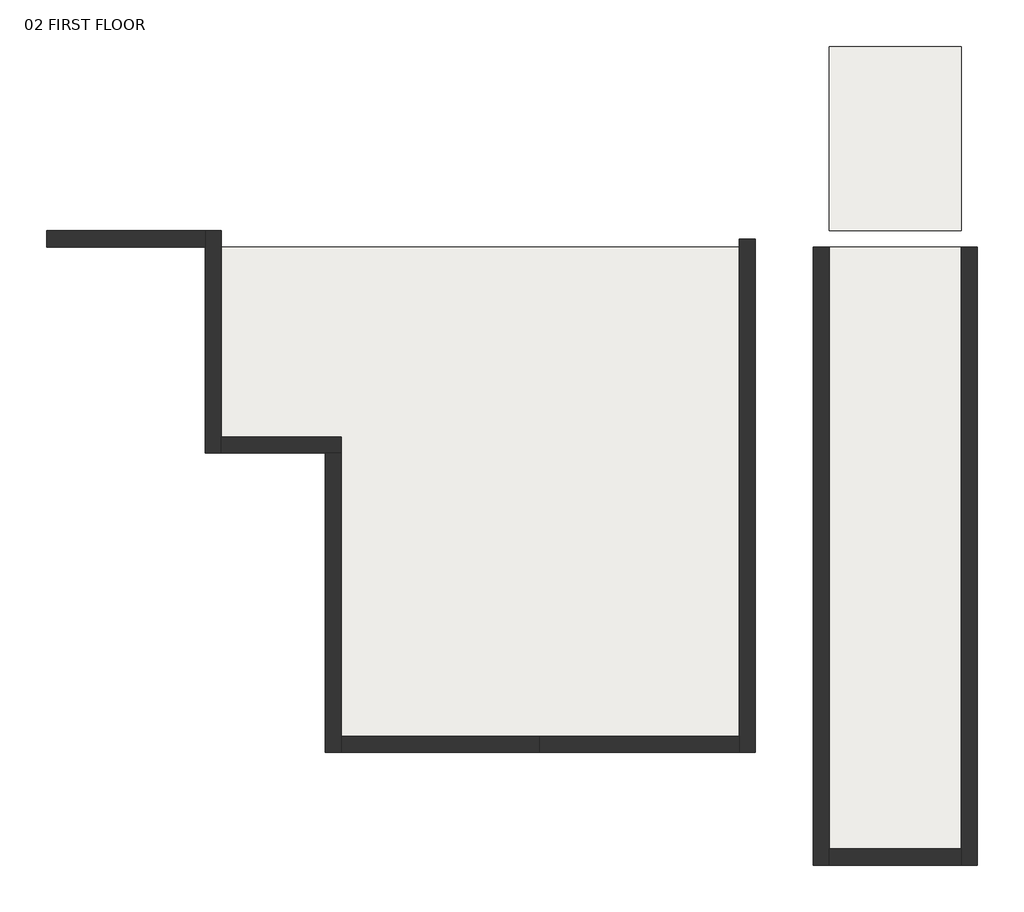
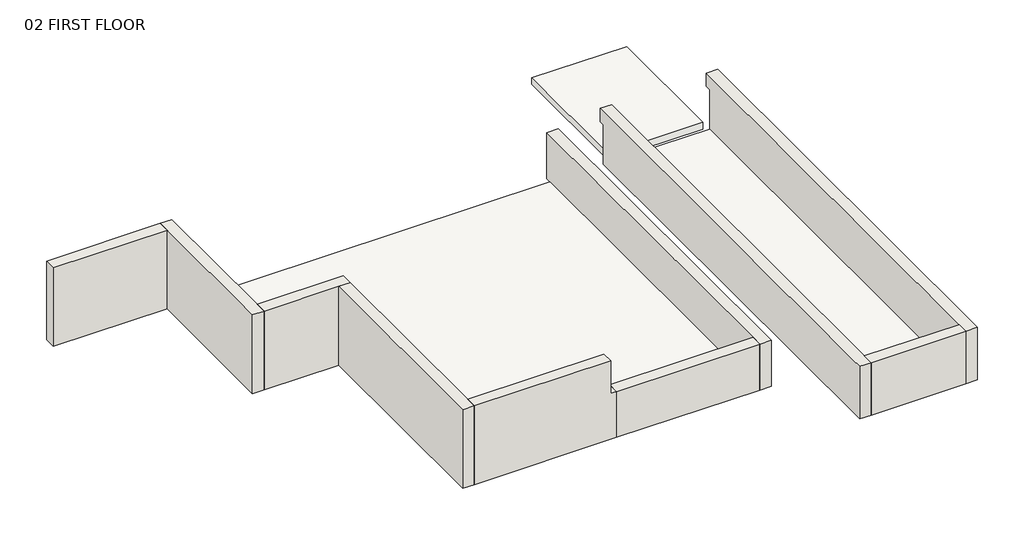
# One storey: 10 walls, 3 slabs.
"""IFC4 building model written with IfcOpenShell, lengths in millimetres."""

from ifc_helpers import new_model, si_unit, frame, origin, place, context, project, spatial, polyline, outline, extrude, faceted_brep, element, save

model = new_model("IFC4")

# Units and contexts
model_context = context("Model", 3, world=origin())
ifc_project = project(units=[si_unit("LENGTHUNIT", "METRE", prefix="MILLI")], contexts=[model_context])

# Site, building, storey
site = spatial("IfcSite", under=ifc_project)
building = spatial("IfcBuilding", under=site)
storey = spatial("IfcBuildingStorey", under=building, Name="02 FIRST FLOOR", Elevation=1219.2)

# Slabs
placement = place(None, origin())
element("IfcSlab", 1, ObjectType="Generic - 12\"", at=placement, inside=storey, context=model_context, shape_type="SweptSolid", body=[
    extrude(outline(polyline([(10151.9583018, -558.8189702), (10151.9583018, -16002.0189702), (-2395.6416982, -16002.0189702), (-2395.6416982, -6553.2189702), (-6180.2416982, -6553.2189702), (-6180.2416982, -558.8189702), (10151.9583018, -558.8189702)])), frame((0.0, 0.0, 914.4), z_axis=(0.0, 0.0, 1.0), x_axis=(1.0, 0.0, 0.0)), (0.0, 0.0, 1.0), 304.8),
])
element("IfcSlab", 2, ObjectType="Generic - 12\"", at=placement, inside=storey, context=model_context, shape_type="SweptSolid", body=[
    extrude(outline(polyline([(17162.3583018, -558.8189702), (17162.3583018, -19558.0189702), (12996.7583018, -19558.0189702), (12996.7583018, -558.8189702), (17162.3583018, -558.8189702)])), frame((0.0, 0.0, 914.4), z_axis=(0.0, 0.0, 1.0), x_axis=(1.0, 0.0, 0.0)), (0.0, 0.0, 1.0), 304.8),
])
element("IfcSlab", 3, ObjectType="Generic - 12\"", at=placement, inside=storey, context=model_context, shape_type="SweptSolid", body=[
    extrude(outline(polyline([(17162.3583018, 5765.7810298), (17162.3583018, -50.8189702), (12996.7583018, -50.8189702), (12996.7583018, 5765.7810298), (17162.3583018, 5765.7810298)])), frame((0.0, 0.0, 914.4), z_axis=(0.0, 0.0, 1.0), x_axis=(1.0, 0.0, 0.0)), (0.0, 0.0, 1.0), 304.8),
])

# Walls
element("IfcWall", 4, ObjectType="ADOBE", at=placement, inside=storey, context=model_context, shape_type="Brep", body=[
    faceted_brep([(-6688.2416982, -50.8189702, 1219.2), (-6688.2416982, -558.8189702, 1219.2), (-6688.2416982, -7061.2189702, 1219.2), (-6688.2416982, -7061.2189702, 4876.8), (-6688.2416982, -558.8189702, 4876.8), (-6688.2416982, -50.8189702, 4876.8), (-6180.2416982, -50.8189702, 1219.2), (-6180.2416982, -50.8189702, 4876.8), (-6180.2416982, -6553.2189702, 4876.8), (-6180.2416982, -7061.2189702, 4876.8), (-6180.2416982, -7061.2189702, 1219.2), (-6180.2416982, -6553.2189702, 1219.2)], [[[0, 1, 2, 3, 4, 5]], [[6, 7, 8, 9, 10, 11]], [[2, 1, 0, 6, 11, 10]], [[5, 4, 3, 9, 8, 7]], [[3, 2, 10, 9]], [[0, 5, 7, 6]]]),
])
element("IfcWall", 5, ObjectType="ADOBE", at=placement, inside=storey, context=model_context, shape_type="Brep", body=[
    faceted_brep([(-6180.2416982, -7061.2189702, 1219.2), (-2903.6416982, -7061.2189702, 1219.2), (-2395.6416982, -7061.2189702, 1219.2), (-2395.6416982, -7061.2189702, 4876.8), (-2903.6416982, -7061.2189702, 4876.8), (-6180.2416982, -7061.2189702, 4876.8), (-6180.2416982, -6553.2189702, 1219.2), (-6180.2416982, -6553.2189702, 4876.8), (-2395.6416982, -6553.2189702, 4876.8), (-2395.6416982, -6553.2189702, 1219.2)], [[[0, 1, 2, 3, 4, 5]], [[6, 7, 8, 9]], [[2, 1, 0, 6, 9]], [[5, 4, 3, 8, 7]], [[3, 2, 9, 8]], [[0, 5, 7, 6]]]),
])
element("IfcWall", 6, ObjectType="ADOBE", at=placement, inside=storey, context=model_context, shape_type="Brep", body=[
    faceted_brep([(-2903.6416982, -7061.2189702, 1219.2), (-2903.6416982, -16510.0189702, 1219.2), (-2903.6416982, -16510.0189702, 4876.8), (-2903.6416982, -7061.2189702, 4876.8), (-2395.6416982, -7061.2189702, 1219.2), (-2395.6416982, -7061.2189702, 4876.8), (-2395.6416982, -16002.0189702, 4876.8), (-2395.6416982, -16510.0189702, 4876.8), (-2395.6416982, -16510.0189702, 1219.2), (-2395.6416982, -16002.0189702, 1219.2)], [[[0, 1, 2, 3]], [[4, 5, 6, 7, 8, 9]], [[1, 0, 4, 9, 8]], [[3, 2, 7, 6, 5]], [[2, 1, 8, 7]], [[0, 3, 5, 4]]]),
])
element("IfcWall", 7, ObjectType="ADOBE", at=placement, inside=storey, context=model_context, shape_type="SweptSolid", body=[
    extrude(outline(polyline([(1219.2, -2395.6416982), (1219.2, 3852.7583018), (3352.8, 3852.7583018), (3352.8, 3598.7583018), (4876.8, 3598.7583018), (4876.8, -2395.6416982), (1219.2, -2395.6416982)])), frame((0.0, -16510.0189702, 0.0), z_axis=(0.0, 1.0, 0.0), x_axis=(0.0, 0.0, 1.0)), (0.0, 0.0, 1.0), 508.0),
])
element("IfcWall", 8, ObjectType="ADOBE", at=placement, inside=storey, context=model_context, shape_type="Brep", body=[
    faceted_brep([(12488.7583018, -558.8189702, 1219.2), (12488.7583018, -20066.0189702, 1219.2), (12488.7583018, -20066.0189702, 3352.8), (12488.7583018, -20066.0189702, 3657.6), (12488.7583018, -19558.0189702, 3657.6), (12488.7583018, -304.8189702, 3657.6), (12488.7583018, -304.8189702, 3048.0), (12488.7583018, -558.8189702, 3048.0), (12996.7583018, -558.8189702, 1219.2), (12996.7583018, -558.8189702, 3048.0), (12996.7583018, -304.8189702, 3048.0), (12996.7583018, -304.8189702, 3657.6), (12996.7583018, -19558.0189702, 3657.6), (12996.7583018, -20066.0189702, 3657.6), (12996.7583018, -20066.0189702, 1219.2), (12996.7583018, -19558.0189702, 1219.2)], [[[0, 1, 2, 3, 4, 5, 6, 7]], [[8, 9, 10, 11, 12, 13, 14, 15]], [[1, 0, 8, 15, 14]], [[5, 4, 3, 13, 12, 11]], [[1, 14, 13, 3, 2]], [[6, 5, 11, 10]], [[6, 10, 9, 7]], [[0, 7, 9, 8]]]),
])
element("IfcWall", 9, ObjectType="ADOBE", at=placement, inside=storey, context=model_context, shape_type="SweptSolid", body=[
    extrude(outline(polyline([(-6688.2416982, -558.8189702), (-11692.0416982, -558.8189702), (-11692.0416982, -50.8189702), (-6688.2416982, -50.8189702), (-6688.2416982, -558.8189702)])), frame((0.0, 0.0, 1219.2), z_axis=(0.0, 0.0, 1.0), x_axis=(1.0, 0.0, 0.0)), (0.0, 0.0, 1.0), 3657.6),
])
element("IfcWall", 10, ObjectType="ADOBE", at=placement, inside=storey, context=model_context, shape_type="Brep", body=[
    faceted_brep([(17670.3583018, -20066.0189702, 1219.2), (17670.3583018, -558.8189702, 1219.2), (17670.3583018, -558.8189702, 3048.0), (17670.3583018, -304.8189702, 3048.0), (17670.3583018, -304.8189702, 3657.6), (17670.3583018, -20066.0189702, 3657.6), (17162.3583018, -20066.0189702, 1219.2), (17162.3583018, -20066.0189702, 3657.6), (17162.3583018, -19558.0189702, 3657.6), (17162.3583018, -304.8189702, 3657.6), (17162.3583018, -304.8189702, 3048.0), (17162.3583018, -558.8189702, 3048.0), (17162.3583018, -558.8189702, 1219.2), (17162.3583018, -19558.0189702, 1219.2)], [[[0, 1, 2, 3, 4, 5]], [[6, 7, 8, 9, 10, 11, 12, 13]], [[1, 0, 6, 13, 12]], [[5, 4, 9, 8, 7]], [[0, 5, 7, 6]], [[4, 3, 10, 9]], [[10, 3, 2, 11]], [[2, 1, 12, 11]]]),
])
element("IfcWall", 11, ObjectType="ADOBE", at=placement, inside=storey, context=model_context, shape_type="Brep", body=[
    faceted_brep([(10659.9583018, -16510.0189702, 1219.2), (10659.9583018, -558.8189702, 1219.2), (10659.9583018, -304.8189702, 1219.2), (10659.9583018, -304.8189702, 3352.8), (10659.9583018, -16510.0189702, 3352.8), (10151.9583018, -16510.0189702, 1219.2), (10151.9583018, -16510.0189702, 3352.8), (10151.9583018, -16002.0189702, 3352.8), (10151.9583018, -304.8189702, 3352.8), (10151.9583018, -304.8189702, 1219.2), (10151.9583018, -16002.0189702, 1219.2)], [[[0, 1, 2, 3, 4]], [[5, 6, 7, 8, 9, 10]], [[2, 1, 0, 5, 10, 9]], [[3, 2, 9, 8]], [[4, 3, 8, 7, 6]], [[0, 4, 6, 5]]]),
])
element("IfcWall", 12, ObjectType="ADOBE", at=placement, inside=storey, context=model_context, shape_type="SweptSolid", body=[
    extrude(outline(polyline([(17162.3583018, -20066.0189702), (12996.7583018, -20066.0189702), (12996.7583018, -19558.0189702), (17162.3583018, -19558.0189702), (17162.3583018, -20066.0189702)])), frame((0.0, 0.0, 1219.2), z_axis=(0.0, 0.0, 1.0), x_axis=(1.0, 0.0, 0.0)), (0.0, 0.0, 1.0), 2438.4),
])
element("IfcWall", 13, ObjectType="ADOBE", at=placement, inside=storey, context=model_context, shape_type="SweptSolid", body=[
    extrude(outline(polyline([(10151.9583018, -16510.0189702), (3852.7583018, -16510.0189702), (3852.7583018, -16002.0189702), (10151.9583018, -16002.0189702), (10151.9583018, -16510.0189702)])), frame((0.0, 0.0, 1219.2), z_axis=(0.0, 0.0, 1.0), x_axis=(1.0, 0.0, 0.0)), (0.0, 0.0, 1.0), 2133.6),
])

save(model, "model.ifc")
